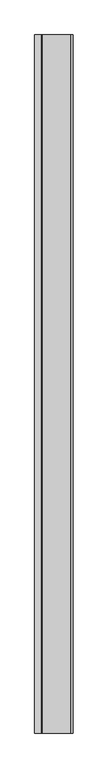
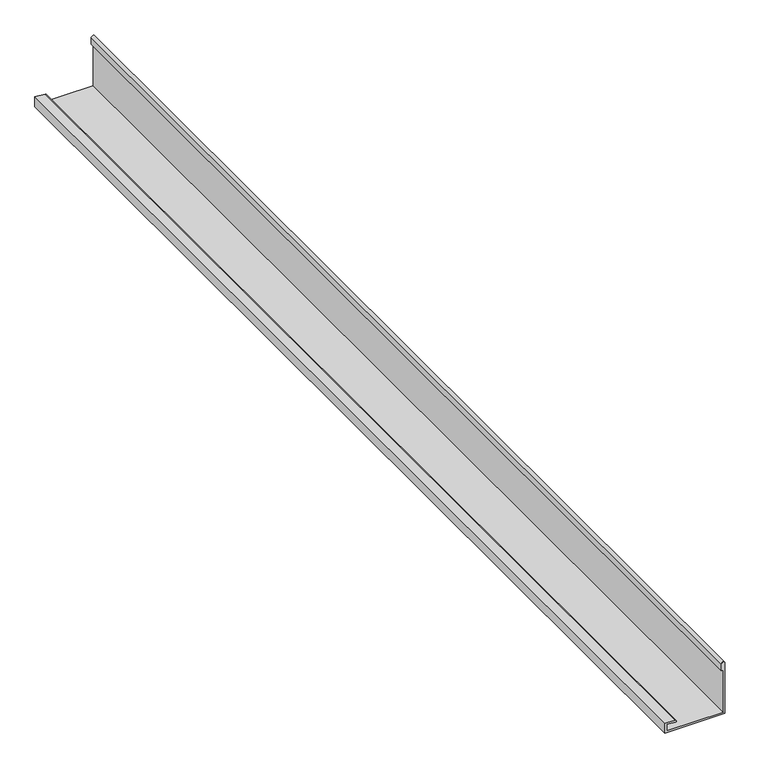
"""IFC4 building model written with IfcOpenShell, lengths in millimetres: proxy geometry."""

from ifc_helpers import new_model, si_unit, point, frame, frame_2d, origin, place, context, project, spatial, polyline, circle_curve, trimmed, segment, composite_curve, outline, extrude, source, transform, mapped, element, save


def generic_models_b76654d5(model_context):
    return source(origin(), model_context, "Body", "SweptSolid", [
        extrude(outline(composite_curve([segment(polyline([(3799.2452806, -1355.4274939), (3799.2452806, -1185.4274939), (3949.6655464, -1185.4274939)]), True, "CONTINUOUS"), segment(trimmed(circle_curve(frame_2d((3949.6655464, -1190.4274939)), 5.0), [point((3949.6655464, -1185.4274939))], [point((3949.6655464, -1195.4274939))], False, "CARTESIAN"), True, "CONTINUOUS"), segment(polyline([(3949.6655464, -1195.4274939), (3929.6655464, -1195.4274939), (3929.6655464, -1190.4274939), (3804.2452806, -1190.4274939), (3804.2452806, -1350.4274939), (3823.7887381, -1350.4274939), (3821.6496348, -1325.9774317)]), True, "CONTINUOUS"), segment(trimmed(circle_curve(frame_2d((3824.1401216, -1325.7595424)), 2.5), [point((3821.6496348, -1325.9774317))], [point((3826.6306083, -1325.541653))], False, "CARTESIAN"), True, "CONTINUOUS"), segment(polyline([(3826.6306083, -1325.541653), (3829.2452806, -1355.4274939), (3799.2452806, -1355.4274939)]), True, "CONTINUOUS")], self_intersect=False)), frame((0.0, -4511.1489417, 0.0), z_axis=(0.0, 1.0, 0.0), x_axis=(0.0, 0.0, 1.0)), (0.0, 0.0, 1.0), 3090.0),
    ])


if __name__ == "__main__":
    model = new_model("IFC4")
    model_context = context("Model", 3, world=origin())
    ifc_project = project(units=[si_unit("LENGTHUNIT", "METRE", prefix="MILLI")], contexts=[model_context])
    site = spatial("IfcSite", under=ifc_project)
    building = spatial("IfcBuilding", under=site)
    placement = place(None, origin())
    generic_models_shape = generic_models_b76654d5(model_context)
    element("IfcBuildingElementProxy", 1, Name="Generic Models", at=placement, inside=building, context=model_context, shape_type="MappedRepresentation", body=[
        mapped(generic_models_shape, transform((0.0, 0.0, 0.0), x_axis=(1.0, 0.0, 0.0), y_axis=(0.0, 1.0, 0.0), z_axis=(0.0, 0.0, 1.0))),
    ])
    save(model, "model.ifc")
